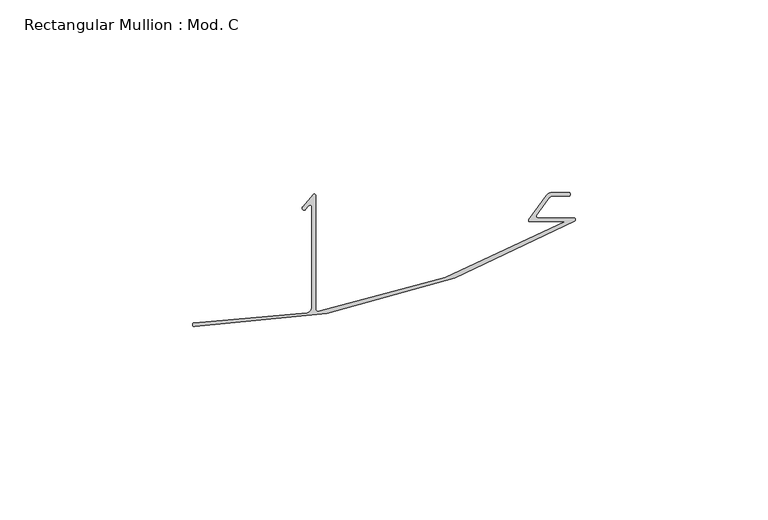
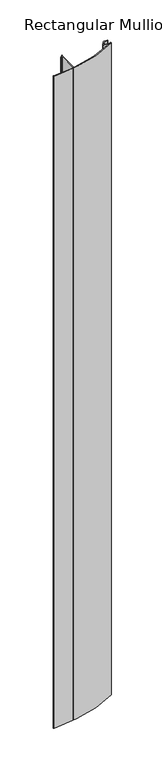
"""IFC4 building model written with IfcOpenShell, lengths in millimetres: member geometry, Rectangular Mullion : Mod. C."""

import ifcopenshell
import ifcopenshell.guid

model = None  # the IFC model being written
_history = None  # IfcOwnerHistory: only IFC2X3 demands one
_inside = {}  # id of a spatial element -> (the spatial element, [elements in it])
_under = {}  # id of a project, library or spatial element -> (it, [spatial elements below it])
_declared = {}  # id of a project -> (the project, [libraries it declares])
_typed = {}  # id of a type object -> (the type object, [elements of that type])
_made_of = {}  # id of a material, layer set ... -> (it, [elements and type objects made of it])


def new_model(schema):
    """Start an empty IFC model of exactly this schema.

    Asked for "IFC4X3", IfcOpenShell would pick the latest addendum, in which some entities
    have other attributes; the version numbers below select the first issue.
    IFC2X3 requires an IfcOwnerHistory on every rooted entity: one is made here for all.
    """
    global model, _history
    if schema == "IFC4X3":
        model = ifcopenshell.file(schema_version=(4, 3, 0, 0))
    else:
        model = ifcopenshell.file(schema=schema)
    _inside.clear()
    _under.clear()
    _declared.clear()
    _typed.clear()
    _made_of.clear()
    _history = None
    if model.schema == "IFC2X3":
        org = make("IfcOrganization", Name="unknown")
        user = make(
            "IfcPersonAndOrganization",
            ThePerson=make("IfcPerson", FamilyName="unknown"),
            TheOrganization=org,
        )
        app = make(
            "IfcApplication",
            ApplicationDeveloper=org,
            Version="unknown",
            ApplicationFullName="unknown",
            ApplicationIdentifier="unknown",
        )
        _history = make(
            "IfcOwnerHistory",
            OwningUser=user,
            OwningApplication=app,
            ChangeAction="ADDED",
            CreationDate=0,
        )
    return model


def make(cls, **values):
    """One entity of the class cls with the attributes given. An attribute that is None is left unset."""
    return model.create_entity(
        cls, **{name: value for name, value in values.items() if value is not None}
    )


def rooted(cls, **values):
    """An entity with a GlobalId (a new one), such as an element, a storey or a relation."""
    return make(cls, GlobalId=ifcopenshell.guid.new(), OwnerHistory=_history, **values)


def si_unit(unit_type, name, prefix=None):
    """IfcSIUnit, for example si_unit("LENGTHUNIT", "METRE", prefix="MILLI")."""
    return make("IfcSIUnit", UnitType=unit_type, Prefix=prefix, Name=name)


def assignment(units):
    """IfcUnitAssignment: the units of a project."""
    return None if units is None else make("IfcUnitAssignment", Units=units)


def point(xyz):
    """IfcCartesianPoint."""
    return None if xyz is None else make("IfcCartesianPoint", Coordinates=xyz)


def direction(xyz):
    """IfcDirection."""
    return None if xyz is None else make("IfcDirection", DirectionRatios=xyz)


def frame(location, z_axis=None, x_axis=None):
    """IfcAxis2Placement3D, a coordinate frame: its origin and axes. An axis left out is left unset."""
    return make(
        "IfcAxis2Placement3D",
        Location=point(location),
        Axis=direction(z_axis),
        RefDirection=direction(x_axis),
    )


def origin():
    """The frame at (0, 0, 0) with its axes left unset."""
    return frame((0.0, 0.0, 0.0))


def place(relative_to, where):
    """IfcLocalPlacement: puts the frame where relative to a parent placement (None: the world)."""
    return make(
        "IfcLocalPlacement", PlacementRelTo=relative_to, RelativePlacement=where
    )


def context(
    kind, dimensions, precision=None, world=None, true_north=None, identifier=None
):
    """IfcGeometricRepresentationContext, for example the 3D "Model" context."""
    return make(
        "IfcGeometricRepresentationContext",
        ContextIdentifier=identifier,
        ContextType=kind,
        CoordinateSpaceDimension=dimensions,
        Precision=precision,
        WorldCoordinateSystem=world,
        TrueNorth=true_north,
    )


def project(units=None, contexts=None):
    """IfcProject with its units and contexts."""
    return rooted(
        "IfcProject",
        Name="project",
        RepresentationContexts=contexts,
        UnitsInContext=assignment(units),
    )


def spatial(cls, under=None, at=None, **own):
    """A site, building, storey or space (cls), placed at a placement, below another one or the project."""
    s = rooted(cls, ObjectPlacement=at, **own)
    if under is not None:
        _under.setdefault(under.id(), (under, []))[1].append(s)
    return s


def polyline(points):
    """IfcPolyline through the points."""
    return make("IfcPolyline", Points=[point(p) for p in points])


def circle_curve(where, radius):
    """IfcCircle in the frame where."""
    return make("IfcCircle", Position=where, Radius=radius)


def shape(context_of_items, identifier, shape_type, items):
    """IfcShapeRepresentation: the items that make up one representation, for example the "Body"."""
    return make(
        "IfcShapeRepresentation",
        ContextOfItems=context_of_items,
        RepresentationIdentifier=identifier,
        RepresentationType=shape_type,
        Items=items,
    )


def source(mapping_origin, context_of_items, identifier, shape_type, items):
    """IfcRepresentationMap: a shape defined once, which mapped items show again and again."""
    return make(
        "IfcRepresentationMap",
        MappingOrigin=mapping_origin,
        MappedRepresentation=shape(context_of_items, identifier, shape_type, items),
    )


def transform(
    local_origin,
    x_axis=None,
    y_axis=None,
    z_axis=None,
    scale=None,
    scale2=None,
    scale3=None,
    uniform=True,
):
    """IfcCartesianTransformationOperator3D, or its non-uniform kind. x_axis, y_axis, z_axis: its Axis1, 2, 3."""
    if uniform:
        return make(
            "IfcCartesianTransformationOperator3D",
            Axis1=direction(x_axis),
            Axis2=direction(y_axis),
            LocalOrigin=point(local_origin),
            Scale=scale,
            Axis3=direction(z_axis),
        )
    return make(
        "IfcCartesianTransformationOperator3DnonUniform",
        Axis1=direction(x_axis),
        Axis2=direction(y_axis),
        LocalOrigin=point(local_origin),
        Scale=scale,
        Axis3=direction(z_axis),
        Scale2=scale2,
        Scale3=scale3,
    )


def mapped(mapping_source, mapping_target):
    """IfcMappedItem: shows the shape of a source again, moved by a transform."""
    return make(
        "IfcMappedItem", MappingSource=mapping_source, MappingTarget=mapping_target
    )


def made_of(thing, what):
    """Note that an element or type object is made of a material, layer set ...; save() writes the relation."""
    if what is not None:
        _made_of.setdefault(what.id(), (what, []))[1].append(thing)
    return thing


def element(
    cls,
    number,
    at=None,
    inside=None,
    cuts=None,
    type_object=None,
    material=None,
    context=None,
    identifier="Body",
    shape_type=None,
    held_by="IfcProductDefinitionShape",
    body=None,
    shapes=None,
    **own,
):
    """One element of the class cls, such as IfcWall. Its Tag is "e" and its number.

    at: its placement. inside: the storey or other place that contains it. cuts: it is an
    opening in that element (IfcRelVoidsElement). A single representation is given by context,
    identifier, shape_type and body (its items); several are given by shapes. held_by: the class
    of the entity that holds the representations. save() writes the other relations.
    """
    e = rooted(cls, Tag="e%d" % number, ObjectPlacement=at, **own)
    if body is not None:
        shapes = [shape(context, identifier, shape_type, body)]
    if shapes is not None:
        e.Representation = make(held_by, Representations=shapes)
    if inside is not None:
        _inside.setdefault(inside.id(), (inside, []))[1].append(e)
    if cuts is not None:
        rooted(
            "IfcRelVoidsElement", RelatingBuildingElement=cuts, RelatedOpeningElement=e
        )
    if type_object is not None:
        _typed.setdefault(type_object.id(), (type_object, []))[1].append(e)
    return made_of(e, material)


def aggregate(whole, parts):
    """IfcRelAggregates: a whole, such as a stair, and the parts it consists of."""
    return rooted("IfcRelAggregates", RelatingObject=whole, RelatedObjects=parts)


def save(model, path):
    """Write the relations noted so far, then the file.

    IfcRelAggregates (storeys below a building ...), IfcRelContainedInSpatialStructure (elements
    in a storey), IfcRelDefinesByType, IfcRelAssociatesMaterial and IfcRelDeclares: one each for
    every whole, place, type object, material and project.
    """
    for whole, parts in _under.values():
        aggregate(whole, parts)
    for where, things in _inside.values():
        rooted(
            "IfcRelContainedInSpatialStructure",
            RelatedElements=things,
            RelatingStructure=where,
        )
    for kind, things in _typed.values():
        rooted("IfcRelDefinesByType", RelatedObjects=things, RelatingType=kind)
    for what, things in _made_of.values():
        rooted("IfcRelAssociatesMaterial", RelatedObjects=things, RelatingMaterial=what)
    for by, libraries in _declared.values():
        rooted("IfcRelDeclares", RelatingContext=by, RelatedDefinitions=libraries)
    model.write(path)


def plane_surface(at):
    """IfcPlane: the flat surface through the origin of the frame at, square to its z axis."""
    return make("IfcPlane", Position=at)


def cylinder_surface(at, radius):
    """IfcCylindricalSurface: all points at the distance radius from the z axis of the frame at."""
    return make("IfcCylindricalSurface", Position=at, Radius=radius)


def revolved_surface(curve, axis_point, axis_direction):
    """IfcSurfaceOfRevolution: the curve turned about the line through axis_point along axis_direction."""
    return make(
        "IfcSurfaceOfRevolution",
        SweptCurve=make("IfcArbitraryOpenProfileDef", ProfileType="CURVE", Curve=curve),
        AxisPosition=make("IfcAxis1Placement", Location=point(axis_point), Axis=direction(axis_direction)),
    )


def advanced_brep(points, edges, surfaces, faces):
    """IfcAdvancedBrep: a solid bounded by faces that lie on surfaces and meet in shared edges.

    An edge is (start, end): straight between two places in points (the first is 0);
    or (start, end, curve); or (start, end, curve, False) where it runs against its curve.
    A face is (place in surfaces, loops), or (place, loops, False) where it looks against
    its surface's normal. A loop lists edges by number (the first is 1), with a minus sign
    where the edge is run from its end to its start. The first loop is the outer one.
    """
    corners = [point(p) for p in points]
    vertices = [make("IfcVertexPoint", VertexGeometry=c) for c in corners]
    made = []
    for start, end, *more in edges:
        made.append(
            make(
                "IfcEdgeCurve",
                EdgeStart=vertices[start],
                EdgeEnd=vertices[end],
                EdgeGeometry=more[0] if more else make("IfcPolyline", Points=[corners[start], corners[end]]),
                SameSense=more[1] if len(more) > 1 else True,
            )
        )
    hull = []
    for where, loops, *sense in faces:
        bounds = []
        for j, loop in enumerate(loops):
            ring = [make("IfcOrientedEdge", EdgeElement=made[abs(k) - 1], Orientation=k > 0) for k in loop]
            bounds.append(
                make(
                    "IfcFaceOuterBound" if j == 0 else "IfcFaceBound",
                    Bound=make("IfcEdgeLoop", EdgeList=ring),
                    Orientation=True,
                )
            )
        hull.append(make("IfcAdvancedFace", Bounds=bounds, FaceSurface=surfaces[where], SameSense=sense[0] if sense else True))
    return make("IfcAdvancedBrep", Outer=make("IfcClosedShell", CfsFaces=hull))


def rectangular_mullion_mod_c_adf92778(model_context):
    return source(origin(), model_context, "Body", "AdvancedBrep", [
        advanced_brep(
        [(-6.7968445, 5.2205508, 0.0), (-5.9878275, 5.6327655, 0.0), (-1.7949853, 5.6327655, 0.0), (-1.7949853, 6.6327655, 0.0), (-5.9878275, 6.6327655, 0.0), (-7.6058615, 5.808336, 0.0), (-12.0912941, -0.3653323, 0.0), (-11.7487939, -1.0, 0.0), (-2.5926865, -1.0, 0.0), (-66.9102518, -24.2879308, 0.0), (-67.4326225, -23.6929739, 0.0), (-67.4326225, 5.7698045, 0.0), (-67.9930397, 6.1362282, 0.0), (-70.834237, 2.8678046, 0.0), (-70.1254035, 2.1589711, 0.0), (-69.2344517, 3.1838939, 0.0), (-68.4326225, 2.8599338, 0.0), (-68.4326225, -23.0699544, 0.0), (-69.6491685, -24.749383, 0.0), (-98.9089401, -27.264052, 0.0), (-98.9031741, -28.2640852, 0.0), (-0.1863719, -0.7582486, 0.0), (-0.3929415, 1e-07, 0.0), (-9.8047524, 0.0, 0.0), (-10.1283592, 0.6351141, 0.0), (-6.7968445, 5.2205508, -1000.0), (-10.1283592, 0.6351141, -1000.0), (-9.8047524, 0.0, -1000.0), (-0.3929415, 0.0, -1000.0), (-0.1863719, -0.7582486, -1000.0), (-98.9089401, -28.2641185, -1000.0), (-98.9147062, -27.2640852, -1000.0), (-69.6491685, -24.749383, -1000.0), (-68.4326225, -23.0699544, -1000.0), (-68.4326225, 2.8599338, -1000.0), (-69.2344517, 3.1838939, -1000.0), (-70.1254035, 2.1589711, -1000.0), (-70.834237, 2.8678046, -1000.0), (-67.9930397, 6.1362282, -1000.0), (-67.4326225, 5.7698045, -1000.0), (-67.4326225, -23.6929739, -1000.0), (-66.9102518, -24.2879308, -1000.0), (-2.5926865, -1.0, -1000.0), (-11.7487939, -1.0, -1000.0), (-12.0912941, -0.3653323, -1000.0), (-7.6058615, 5.808336, -1000.0), (-5.9878275, 6.6327655, -1000.0), (-1.7949853, 6.6327655, -1000.0), (-1.7949853, 5.6327655, -1000.0), (-5.9878275, 5.6327655, -1000.0)],
        [
            (0, 1, circle_curve(frame((-5.9878275, 4.6327655, 0.0), z_axis=(0.0, 0.0, -1.0), x_axis=(0.0, 1.0, 0.0)), 1.0)),
            (1, 2),
            (2, 3, circle_curve(frame((-1.7949853, 6.1327655, 0.0), z_axis=(0.0, 0.0, 1.0), x_axis=(0.0, 1.0, 0.0)), 0.5)),
            (3, 4),
            (4, 5, circle_curve(frame((-5.9878275, 4.6327655, 0.0), z_axis=(0.0, 0.0, 1.0), x_axis=(0.0, 1.0, 0.0)), 2.0)),
            (5, 6),
            (6, 7, circle_curve(frame((-11.7676873, -0.6004465, 0.0), z_axis=(0.0, 0.0, 1.0), x_axis=(0.0, 1.0, 0.0)), 0.4)),
            (7, 8),
            (8, 9, circle_curve(frame((-101.1996711, 170.8754123, 0.0), z_axis=(0.0, 0.0, -1.0), x_axis=(0.0, 1.0, 0.0)), 198.1527057)),
            (9, 10, circle_curve(frame((-66.8326225, -23.6929739, 0.0), z_axis=(0.0, 0.0, -1.0), x_axis=(0.0, 1.0, 0.0)), 0.6)),
            (10, 11),
            (11, 12, circle_curve(frame((-67.8326225, 5.7698045, 0.0), z_axis=(0.0, 0.0, 1.0), x_axis=(0.0, 1.0, 0.0)), 0.4)),
            (12, 13),
            (13, 14, circle_curve(frame((-70.455037, 2.5381711, 0.0), z_axis=(0.0, 0.0, 1.0), x_axis=(0.0, 1.0, 0.0)), 0.5024449)),
            (14, 15),
            (15, 16, circle_curve(frame((-68.8989813, 2.8599338, 0.0), z_axis=(0.0, 0.0, -1.0), x_axis=(0.0, 1.0, 0.0)), 0.4663588)),
            (16, 17),
            (17, 18, circle_curve(frame((-70.200112, -23.0699544, 0.0), z_axis=(0.0, 0.0, -1.0), x_axis=(0.0, 1.0, 0.0)), 1.7674895)),
            (18, 19, circle_curve(frame((-101.1996711, 170.8754123, 0.0), z_axis=(0.0, 0.0, -1.0), x_axis=(0.0, 1.0, 0.0)), 198.1527057)),
            (19, 20, circle_curve(frame((-98.9089401, -27.7640852, 0.0), z_axis=(0.0, 0.0, 1.0), x_axis=(0.0, 1.0, 0.0)), 0.5000332)),
            (20, 21, circle_curve(frame((-101.1996711, 170.8754123, 0.0), z_axis=(0.0, 0.0, 1.0), x_axis=(0.0, 1.0, 0.0)), 199.1527057)),
            (21, 22, circle_curve(frame((-0.3929415, -0.4072621, 0.0), z_axis=(0.0, 0.0, 1.0), x_axis=(0.0, 1.0, 0.0)), 0.4072622)),
            (22, 23),
            (23, 24, circle_curve(frame((-9.8047524, 0.4, 0.0), z_axis=(0.0, 0.0, -1.0), x_axis=(0.0, 1.0, 0.0)), 0.4)),
            (24, 0),
            (25, 26),
            (26, 27, circle_curve(frame((-9.8047524, 0.4, -1000.0), z_axis=(0.0, 0.0, 1.0), x_axis=(0.0, 1.0, 0.0)), 0.4)),
            (27, 28),
            (28, 29, circle_curve(frame((-0.3929415, -0.4072621, -1000.0), z_axis=(0.0, 0.0, -1.0), x_axis=(0.0, 1.0, 0.0)), 0.4072622)),
            (29, 30, circle_curve(frame((-101.1996711, 170.8754123, -1000.0), z_axis=(0.0, 0.0, -1.0), x_axis=(0.0, 1.0, 0.0)), 199.1527057)),
            (30, 31, circle_curve(frame((-98.9089401, -27.7640852, -1000.0), z_axis=(0.0, 0.0, -1.0), x_axis=(0.0, 1.0, 0.0)), 0.5000332)),
            (31, 32, circle_curve(frame((-101.1996711, 170.8754123, -1000.0), z_axis=(0.0, 0.0, 1.0), x_axis=(0.0, 1.0, 0.0)), 198.1527057)),
            (32, 33, circle_curve(frame((-70.200112, -23.0699544, -1000.0), z_axis=(0.0, 0.0, 1.0), x_axis=(0.0, 1.0, 0.0)), 1.7674895)),
            (33, 34),
            (34, 35, circle_curve(frame((-68.8989813, 2.8599338, -1000.0), z_axis=(0.0, 0.0, 1.0), x_axis=(0.0, 1.0, 0.0)), 0.4663588)),
            (35, 36),
            (36, 37, circle_curve(frame((-70.455037, 2.5381711, -1000.0), z_axis=(0.0, 0.0, -1.0), x_axis=(0.0, 1.0, 0.0)), 0.5024449)),
            (37, 38),
            (38, 39, circle_curve(frame((-67.8326225, 5.7698045, -1000.0), z_axis=(0.0, 0.0, -1.0), x_axis=(0.0, 1.0, 0.0)), 0.4)),
            (39, 40),
            (40, 41, circle_curve(frame((-66.8326225, -23.6929739, -1000.0), z_axis=(0.0, 0.0, 1.0), x_axis=(0.0, 1.0, 0.0)), 0.6)),
            (41, 42, circle_curve(frame((-101.1996711, 170.8754123, -1000.0), z_axis=(0.0, 0.0, 1.0), x_axis=(0.0, 1.0, 0.0)), 198.1527057)),
            (42, 43),
            (43, 44, circle_curve(frame((-11.7676873, -0.6004465, -1000.0), z_axis=(0.0, 0.0, -1.0), x_axis=(0.0, 1.0, 0.0)), 0.4)),
            (44, 45),
            (45, 46, circle_curve(frame((-5.9878275, 4.6327655, -1000.0), z_axis=(0.0, 0.0, -1.0), x_axis=(0.0, 1.0, 0.0)), 2.0)),
            (46, 47),
            (47, 48, circle_curve(frame((-1.7949853, 6.1327655, -1000.0), z_axis=(0.0, 0.0, -1.0), x_axis=(0.0, 1.0, 0.0)), 0.5)),
            (48, 49),
            (49, 25, circle_curve(frame((-5.9878275, 4.6327655, -1000.0), z_axis=(0.0, 0.0, 1.0), x_axis=(0.0, 1.0, 0.0)), 1.0)),
            (20, 30),
            (29, 21),
            (22, 28),
            (27, 23),
            (24, 26),
            (25, 0),
            (1, 49),
            (48, 2),
            (3, 47),
            (46, 4),
            (5, 45),
            (44, 6),
            (7, 43),
            (42, 8),
            (41, 9),
            (10, 40),
            (39, 11),
            (12, 38),
            (37, 13),
            (14, 36),
            (35, 15),
            (16, 34),
            (33, 17),
            (18, 32),
            (31, 19),
        ],
        [
            plane_surface(frame((0.0, -103.2148343, 0.0), z_axis=(0.0, 0.0, 1.0), x_axis=(-1.0, 0.0, 0.0))),
            plane_surface(frame((0.0, -103.2148343, -1000.0), z_axis=(0.0, 0.0, -1.0), x_axis=(-1.0, 0.0, 0.0))),
            cylinder_surface(frame((-101.1996711, 170.8754123, 0.0), z_axis=(0.0, 0.0, 1.0), x_axis=(0.0, 1.0, 0.0)), 199.1527057),
            plane_surface(frame((-0.3929415, 0.0, 0.0), z_axis=(0.0, 1.0, 0.0), x_axis=(0.0, 0.0, -1.0))),
            plane_surface(frame((-10.1283592, 0.6351141, 0.0), z_axis=(0.809016994374947, -0.5877852522924739, 0.0), x_axis=(0.0, 0.0, -1.0))),
            plane_surface(frame((-5.9878275, 5.6327655, 0.0), z_axis=(0.0, -1.0, 0.0), x_axis=(0.0, 0.0, -1.0))),
            plane_surface(frame((-1.7949853, 6.6327655, 0.0), z_axis=(0.0, 1.0, 0.0), x_axis=(0.0, 0.0, -1.0))),
            plane_surface(frame((-7.6058615, 5.808336, 0.0), z_axis=(-0.8090169943749471, 0.5877852522924737, 0.0), x_axis=(0.0, 0.0, -1.0))),
            plane_surface(frame((-11.7487939, -1.0, 0.0), z_axis=(0.0, -1.0, 0.0), x_axis=(0.0, 0.0, -1.0))),
            revolved_surface(polyline([(-101.1996711, 369.028118, -1000.0), (-101.1996711, 369.028118, 0.0)]), (-101.1996711, 170.8754123, 0.0), (0.0, 0.0, -1.0)),
            plane_surface(frame((-67.4326225, -23.6929739, 0.0), z_axis=(1.0, 0.0, 0.0), x_axis=(0.0, 0.0, -1.0))),
            plane_surface(frame((-67.9930397, 6.1362282, 0.0), z_axis=(-0.7547095802227712, 0.6560590289905082, 0.0), x_axis=(0.0, 0.0, -1.0))),
            plane_surface(frame((-70.1254035, 2.1589711, 0.0), z_axis=(0.754709580222771, -0.6560590289905086, 0.0), x_axis=(0.0, 0.0, -1.0))),
            plane_surface(frame((-68.4326225, 2.8599338, 0.0), z_axis=(-1.0, 0.0, 0.0), x_axis=(0.0, 0.0, -1.0))),
            cylinder_surface(frame((-0.3929415, -0.4072621, 0.0), z_axis=(0.0, 0.0, 1.0), x_axis=(0.0, 1.0, 0.0)), 0.4072622),
            cylinder_surface(frame((-11.7676873, -0.6004465, 0.0), z_axis=(0.0, 0.0, 1.0), x_axis=(0.0, 1.0, 0.0)), 0.4),
            revolved_surface(polyline([(-9.8047524, 0.8, -1000.0), (-9.8047524, 0.8, 0.0)]), (-9.8047524, 0.4, 0.0), (0.0, 0.0, -1.0)),
            revolved_surface(polyline([(-5.9878275, 5.6327655, -1000.0), (-5.9878275, 5.6327655, 0.0)]), (-5.9878275, 4.6327655, 0.0), (0.0, 0.0, -1.0)),
            cylinder_surface(frame((-1.7949853, 6.1327655, 0.0), z_axis=(0.0, 0.0, 1.0), x_axis=(0.0, 1.0, 0.0)), 0.5),
            cylinder_surface(frame((-5.9878275, 4.6327655, 0.0), z_axis=(0.0, 0.0, 1.0), x_axis=(0.0, 1.0, 0.0)), 2.0),
            cylinder_surface(frame((-98.9089401, -27.7640852, 0.0), z_axis=(0.0, 0.0, 1.0), x_axis=(0.0, 1.0, 0.0)), 0.5000332),
            revolved_surface(polyline([(-66.8326225, -23.092973899999997, -1000.0), (-66.8326225, -23.092973899999997, 0.0)]), (-66.8326225, -23.6929739, 0.0), (0.0, 0.0, -1.0)),
            revolved_surface(polyline([(-70.200112, -21.3024649, -1000.0), (-70.200112, -21.3024649, 0.0)]), (-70.200112, -23.0699544, 0.0), (0.0, 0.0, -1.0)),
            revolved_surface(polyline([(-68.8989813, 3.3262926, -1000.0), (-68.8989813, 3.3262926, 0.0)]), (-68.8989813, 2.8599338, 0.0), (0.0, 0.0, -1.0)),
            cylinder_surface(frame((-67.8326225, 5.7698045, 0.0), z_axis=(0.0, 0.0, 1.0), x_axis=(0.0, 1.0, 0.0)), 0.4),
            cylinder_surface(frame((-70.455037, 2.5381711, 0.0), z_axis=(0.0, 0.0, 1.0), x_axis=(0.0, 1.0, 0.0)), 0.5024449),
        ],
        [
            (0, [[1, 2, 3, 4, 5, 6, 7, 8, 9, 10, 11, 12, 13, 14, 15, 16, 17, 18, 19, 20, 21, 22, 23, 24, 25]]),
            (1, [[26, 27, 28, 29, 30, 31, 32, 33, 34, 35, 36, 37, 38, 39, 40, 41, 42, 43, 44, 45, 46, 47, 48, 49, 50]]),
            (2, [[-21, 51, -30, 52]]),
            (3, [[-23, 53, -28, 54]]),
            (4, [[-25, 55, -26, 56]]),
            (5, [[-2, 57, -49, 58]]),
            (6, [[-4, 59, -47, 60]]),
            (7, [[-6, 61, -45, 62]]),
            (8, [[-8, 63, -43, 64]]),
            (9, [[-9, -64, -42, 65]]),
            (10, [[-11, 66, -40, 67]]),
            (11, [[-13, 68, -38, 69]]),
            (12, [[-15, 70, -36, 71]]),
            (13, [[-17, 72, -34, 73]]),
            (9, [[-19, 74, -32, 75]]),
            (14, [[-22, -52, -29, -53]]),
            (15, [[-7, -62, -44, -63]]),
            (16, [[-24, -54, -27, -55]]),
            (17, [[-1, -56, -50, -57]]),
            (18, [[-3, -58, -48, -59]]),
            (19, [[-5, -60, -46, -61]]),
            (20, [[-20, -75, -31, -51]]),
            (21, [[-10, -65, -41, -66]]),
            (22, [[-18, -73, -33, -74]]),
            (23, [[-16, -71, -35, -72]]),
            (24, [[-12, -67, -39, -68]]),
            (25, [[-14, -69, -37, -70]]),
        ],
    ),
    ])


if __name__ == "__main__":
    model = new_model("IFC4")
    model_context = context("Model", 3, world=origin())
    ifc_project = project(units=[si_unit("LENGTHUNIT", "METRE", prefix="MILLI")], contexts=[model_context])
    site = spatial("IfcSite", under=ifc_project)
    building = spatial("IfcBuilding", under=site)
    placement = place(None, origin())
    rectangular_mullion_mod_c_shape = rectangular_mullion_mod_c_adf92778(model_context)
    element("IfcMember", 1, ObjectType="Rectangular Mullion : Mod. C", at=placement, inside=building, context=model_context, shape_type="MappedRepresentation", body=[
        mapped(rectangular_mullion_mod_c_shape, transform((0.0, 0.0, 0.0), x_axis=(1.0, 0.0, 0.0), y_axis=(0.0, 1.0, 0.0), z_axis=(0.0, 0.0, 1.0))),
    ])
    save(model, "model.ifc")
